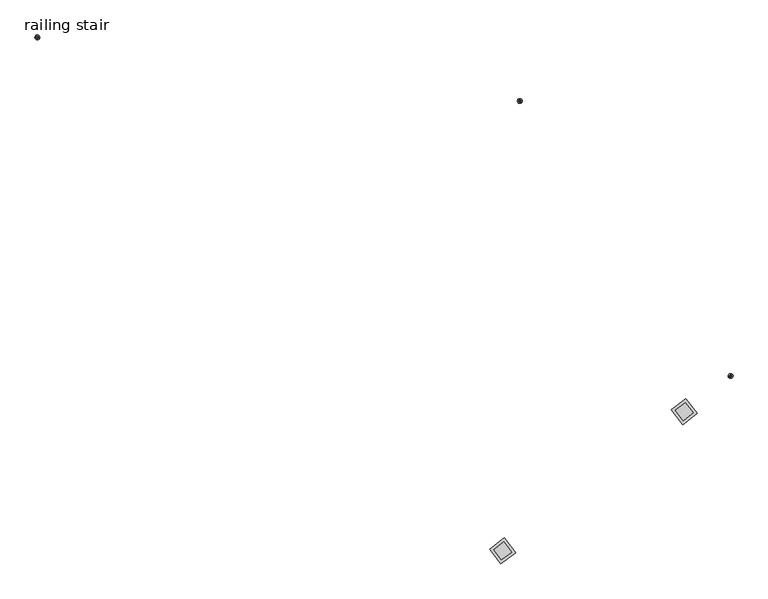
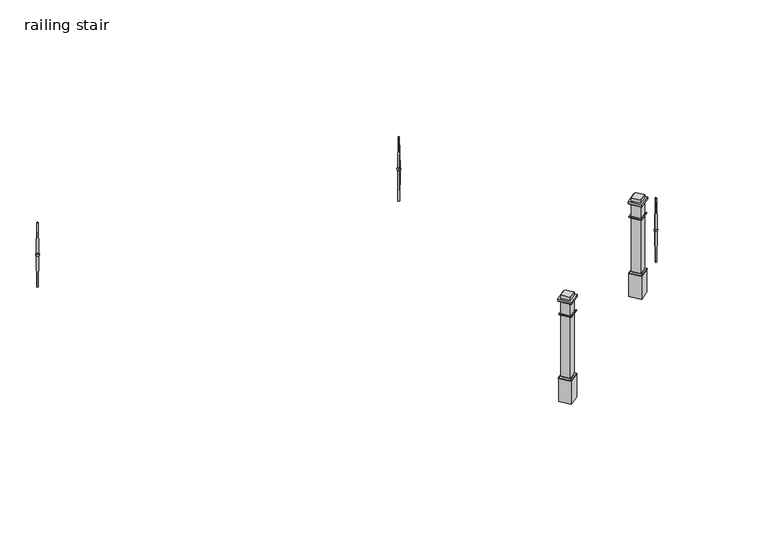
"""IFC4 building model written with IfcOpenShell, lengths in millimetres: railing geometry, railing stair."""

from ifc_helpers import new_model, si_unit, point, frame, origin, place, context, project, spatial, polyline, circle_curve, ellipse_curve, trimmed, outline, extrude, faceted_brep, source, transform, mapped, element, save
from ifc_brep_helpers import plane_surface, revolved_surface, advanced_brep


def railing_stair_6dcc731c(model_context):
    return source(origin(), model_context, "Body", "SolidModel", [
        advanced_brep(
        [(-19107.9102649, 12683.1785948, 412.3989553), (-19082.0426434, 12679.7632043, 412.3989553), (-19085.8073348, 12680.2602694, 0.0), (-19104.1455735, 12682.6815298, 0.0), (-19101.4848418, 12682.3302243, 412.3989553), (-19088.4680665, 12680.6115749, 412.3989553), (-19108.2211787, 12683.2196459, 417.0582924), (-19081.7317296, 12679.7221533, 417.0582924), (-19108.2211787, 12683.2196459, 432.9417076), (-19081.7317296, 12679.7221533, 432.9417076), (-19101.3774529, 12682.3160453, 437.7753248), (-19088.5754554, 12680.6257538, 437.7753248), (-19107.9076271, 12683.1782466, 437.7753248), (-19082.0452811, 12679.7635525, 437.7753248), (-19102.3345592, 12682.4424153, 850.0), (-19087.6183491, 12680.4993838, 850.0)],
        [
            (0, 1, circle_curve(frame((-19094.9764541, 12681.4708996, 412.3989553), z_axis=(0.0, 0.0, -1.0), x_axis=(0.9913959208543641, -0.13089739536494818, 0.0)), 13.0460601)),
            (1, 2),
            (2, 3, circle_curve(frame((-19094.9764541, 12681.4708996, 0.0), z_axis=(0.0, 0.0, 1.0), x_axis=(0.9913959208543641, -0.13089739536494818, 0.0)), 9.2486958)),
            (3, 0),
            (1, 0, circle_curve(frame((-19094.9764541, 12681.4708996, 412.3989553), z_axis=(0.0, 0.0, -1.0), x_axis=(0.9913959208543641, -0.13089739536494818, 0.0)), 13.0460601)),
            (3, 2, circle_curve(frame((-19094.9764541, 12681.4708996, 0.0), z_axis=(0.0, 0.0, 1.0), x_axis=(0.9913959208543641, -0.13089739536494818, 0.0)), 9.2486958)),
            (0, 4),
            (4, 5, circle_curve(frame((-19094.9764541, 12681.4708996, 412.3989553), z_axis=(0.0, 0.0, -1.0), x_axis=(0.9913959208543641, -0.13089739536494818, 0.0)), 6.5648723)),
            (5, 1),
            (5, 4, circle_curve(frame((-19094.9764541, 12681.4708996, 412.3989553), z_axis=(0.0, 0.0, -1.0), x_axis=(0.9913959208543641, -0.13089739536494818, 0.0)), 6.5648723)),
            (4, 6),
            (6, 7, circle_curve(frame((-19094.9764541, 12681.4708996, 417.0582924), z_axis=(0.0, 0.0, -1.0), x_axis=(0.9913959208543641, -0.13089739536494818, 0.0)), 13.3596723)),
            (7, 5),
            (7, 6, circle_curve(frame((-19094.9764541, 12681.4708996, 417.0582924), z_axis=(0.0, 0.0, -1.0), x_axis=(0.9913959208543641, -0.13089739536494818, 0.0)), 13.3596723)),
            (6, 8, circle_curve(frame((-19108.2211787, 12683.2196459, 425.0), z_axis=(0.13089739536495137, 0.9913959208543637, 0.0), x_axis=(-0.9913959208543637, 0.13089739536495137, 0.0)), 7.9417076)),
            (8, 9, circle_curve(frame((-19094.9764541, 12681.4708996, 432.9417076), z_axis=(0.0, 0.0, -1.0), x_axis=(0.9913959208543641, -0.13089739536494818, 0.0)), 13.3596723)),
            (9, 7, circle_curve(frame((-19081.7317296, 12679.7221533, 425.0), z_axis=(0.13089739536494818, 0.9913959208543641, 0.0), x_axis=(0.9913959208543641, -0.13089739536494818, 0.0)), 7.9417076)),
            (9, 8, circle_curve(frame((-19094.9764541, 12681.4708996, 432.9417076), z_axis=(0.0, 0.0, -1.0), x_axis=(0.9913959208543641, -0.13089739536494818, 0.0)), 13.3596723)),
            (8, 10),
            (10, 11, circle_curve(frame((-19094.9764541, 12681.4708996, 437.7753248), z_axis=(0.0, 0.0, -1.0), x_axis=(0.9913959208543641, -0.13089739536494818, 0.0)), 6.4565515)),
            (11, 9),
            (11, 10, circle_curve(frame((-19094.9764541, 12681.4708996, 437.7753248), z_axis=(0.0, 0.0, -1.0), x_axis=(0.9913959208543641, -0.13089739536494818, 0.0)), 6.4565515)),
            (10, 12),
            (12, 13, circle_curve(frame((-19094.9764541, 12681.4708996, 437.7753248), z_axis=(0.0, 0.0, -1.0), x_axis=(0.9913959208543641, -0.13089739536494818, 0.0)), 13.0433994)),
            (13, 11),
            (13, 12, circle_curve(frame((-19094.9764541, 12681.4708996, 437.7753248), z_axis=(0.0, 0.0, -1.0), x_axis=(0.9913959208543641, -0.13089739536494818, 0.0)), 13.0433994)),
            (12, 14),
            (14, 15, circle_curve(frame((-19094.9764541, 12681.4708996, 850.0), z_axis=(0.0, 0.0, -1.0), x_axis=(0.9913959208543641, -0.13089739536494818, 0.0)), 7.4219642)),
            (15, 13),
            (15, 14, circle_curve(frame((-19094.9764541, 12681.4708996, 850.0), z_axis=(0.0, 0.0, -1.0), x_axis=(0.9913959208543641, -0.13089739536494818, 0.0)), 7.4219642)),
        ],
        [
            revolved_surface(polyline([(-19087.8941695, 12680.5358013, -228.6), (-19082.0426434, 12679.7632043, 412.3989553)]), (-19094.9764541, 12681.4708996, 1180.2), (0.0, 0.0, 1.0)),
            plane_surface(frame((-19094.9764541, 12681.4708996, 412.3989553), z_axis=(0.0, 0.0, 1.0), x_axis=(0.9913959208543641, -0.13089739536494818, 0.0))),
            revolved_surface(polyline([(-19088.4688059, 12680.6116725, 412.3), (-19081.7317296, 12679.7221533, 417.0582924)]), (-19094.9764541, 12681.4708996, 1180.2), (0.0, 0.0, 1.0)),
            revolved_surface(trimmed(ellipse_curve(frame((-19081.7317296, 12679.7221533, 425.0), z_axis=(-0.13089739536494818, -0.9913959208543641, 0.0), x_axis=(0.9913959208543641, -0.13089739536494818, 0.0)), 7.9417076, 7.9417076), [point((-19081.7317296, 12679.7221533, 417.0582924))], [point((-19081.7317296, 12679.7221533, 432.9417076))], True, "CARTESIAN"), (-19094.9764541, 12681.4708996, 1180.2), (0.0, 0.0, 1.0)),
            revolved_surface(polyline([(-19081.7317296, 12679.7221533, 432.9417076), (-19088.5754554, 12680.6257538, 437.7753248)]), (-19094.9764541, 12681.4708996, 1180.2), (0.0, 0.0, 1.0)),
            plane_surface(frame((-19094.9764541, 12681.4708996, 437.7753248), z_axis=(0.0, 0.0, -1.0), x_axis=(0.9913959208543641, -0.13089739536494818, 0.0))),
            revolved_surface(polyline([(-19082.0452811, 12679.7635525, 437.7753248), (-19087.6183491, 12680.4993838, 850.0)]), (-19094.9764541, 12681.4708996, 1180.2), (0.0, 0.0, 1.0)),
            plane_surface(frame((-19051.263129, 12624.4583991, 0.0), z_axis=(0.0, 0.0, -1.0), x_axis=(0.13089739536494818, 0.9913959208543641, 0.0))),
            plane_surface(frame((-19151.9889546, 12637.7575745, 850.0), z_axis=(0.0, 0.0, 1.0), x_axis=(0.13089739536494818, 0.9913959208543641, 0.0))),
        ],
        [
            (0, [[1, 2, 3, 4]]),
            (0, [[5, -4, 6, -2]]),
            (1, [[-1, 7, 8, 9]]),
            (1, [[-5, -9, 10, -7]]),
            (2, [[-8, 11, 12, 13]]),
            (2, [[-10, -13, 14, -11]]),
            (3, [[-12, 15, 16, 17]]),
            (3, [[-14, -17, 18, -15]]),
            (4, [[-16, 19, 20, 21]]),
            (4, [[-18, -21, 22, -19]]),
            (5, [[-20, 23, 24, 25]]),
            (5, [[-22, -25, 26, -23]]),
            (6, [[-24, 27, 28, 29]]),
            (6, [[-26, -29, 30, -27]]),
            (7, [[-3, -6]]),
            (8, [[-28, -30]]),
        ],
    ),
        advanced_brep(
        [(-14876.2453639, 12133.7624185, 412.3989553), (-14860.3692391, 12113.0562021, 412.3989553), (-14862.6797999, 12116.0697191, 0.0), (-14873.9348031, 12130.7489016, 0.0), (-14872.3017922, 12128.6190697, 412.3989553), (-14864.3128108, 12118.199551, 412.3989553), (-14876.4361857, 12134.0112953, 417.0582924), (-14860.1784173, 12112.8073254, 417.0582924), (-14876.4361857, 12134.0112953, 432.9417076), (-14860.1784173, 12112.8073254, 432.9417076), (-14872.2358828, 12128.5331083, 437.7753248), (-14864.3787202, 12118.2855124, 437.7753248), (-14876.243745, 12133.7603071, 437.7753248), (-14860.370858, 12113.0583136, 437.7753248), (-14872.8233021, 12129.2992417, 850.0), (-14863.7913009, 12117.519379, 850.0)],
        [
            (0, 1, circle_curve(frame((-14868.3073015, 12123.4093103, 412.3989553), z_axis=(0.0, 0.0, -1.0000000000000002), x_axis=(0.6084643426153793, -0.7935812143477405, 0.0)), 13.0460601)),
            (1, 2),
            (2, 3, circle_curve(frame((-14868.3073015, 12123.4093103, 0.0), z_axis=(0.0, 0.0, 1.0000000000000002), x_axis=(0.6084643426153793, -0.7935812143477405, 0.0)), 9.2486958)),
            (3, 0),
            (1, 0, circle_curve(frame((-14868.3073015, 12123.4093103, 412.3989553), z_axis=(0.0, 0.0, -1.0000000000000002), x_axis=(0.6084643426153793, -0.7935812143477405, 0.0)), 13.0460601)),
            (3, 2, circle_curve(frame((-14868.3073015, 12123.4093103, 0.0), z_axis=(0.0, 0.0, 1.0000000000000002), x_axis=(0.6084643426153793, -0.7935812143477405, 0.0)), 9.2486958)),
            (0, 4),
            (4, 5, circle_curve(frame((-14868.3073015, 12123.4093103, 412.3989553), z_axis=(0.0, 0.0, -1.0000000000000002), x_axis=(0.6084643426153793, -0.7935812143477405, 0.0)), 6.5648723)),
            (5, 1),
            (5, 4, circle_curve(frame((-14868.3073015, 12123.4093103, 412.3989553), z_axis=(0.0, 0.0, -1.0000000000000002), x_axis=(0.6084643426153793, -0.7935812143477405, 0.0)), 6.5648723)),
            (4, 6),
            (6, 7, circle_curve(frame((-14868.3073015, 12123.4093103, 417.0582924), z_axis=(0.0, 0.0, -1.0000000000000002), x_axis=(0.6084643426153793, -0.7935812143477405, 0.0)), 13.3596723)),
            (7, 5),
            (7, 6, circle_curve(frame((-14868.3073015, 12123.4093103, 417.0582924), z_axis=(0.0, 0.0, -1.0000000000000002), x_axis=(0.6084643426153793, -0.7935812143477405, 0.0)), 13.3596723)),
            (6, 8, circle_curve(frame((-14876.4361857, 12134.0112953, 425.0), z_axis=(0.7935812143477425, 0.6084643426153767, 0.0), x_axis=(-0.6084643426153767, 0.7935812143477425, 0.0)), 7.9417076)),
            (8, 9, circle_curve(frame((-14868.3073015, 12123.4093103, 432.9417076), z_axis=(0.0, 0.0, -1.0000000000000002), x_axis=(0.6084643426153793, -0.7935812143477405, 0.0)), 13.3596723)),
            (9, 7, circle_curve(frame((-14860.1784173, 12112.8073254, 425.0), z_axis=(0.7935812143477405, 0.6084643426153793, 0.0), x_axis=(0.6084643426153793, -0.7935812143477405, 0.0)), 7.9417076)),
            (9, 8, circle_curve(frame((-14868.3073015, 12123.4093103, 432.9417076), z_axis=(0.0, 0.0, -1.0000000000000002), x_axis=(0.6084643426153793, -0.7935812143477405, 0.0)), 13.3596723)),
            (8, 10),
            (10, 11, circle_curve(frame((-14868.3073015, 12123.4093103, 437.7753248), z_axis=(0.0, 0.0, -1.0000000000000002), x_axis=(0.6084643426153793, -0.7935812143477405, 0.0)), 6.4565515)),
            (11, 9),
            (11, 10, circle_curve(frame((-14868.3073015, 12123.4093103, 437.7753248), z_axis=(0.0, 0.0, -1.0000000000000002), x_axis=(0.6084643426153793, -0.7935812143477405, 0.0)), 6.4565515)),
            (10, 12),
            (12, 13, circle_curve(frame((-14868.3073015, 12123.4093103, 437.7753248), z_axis=(0.0, 0.0, -1.0000000000000002), x_axis=(0.6084643426153793, -0.7935812143477405, 0.0)), 13.0433994)),
            (13, 11),
            (13, 12, circle_curve(frame((-14868.3073015, 12123.4093103, 437.7753248), z_axis=(0.0, 0.0, -1.0000000000000002), x_axis=(0.6084643426153793, -0.7935812143477405, 0.0)), 13.0433994)),
            (12, 14),
            (14, 15, circle_curve(frame((-14868.3073015, 12123.4093103, 850.0), z_axis=(0.0, 0.0, -1.0000000000000002), x_axis=(0.6084643426153793, -0.7935812143477405, 0.0)), 7.4219642)),
            (15, 13),
            (15, 14, circle_curve(frame((-14868.3073015, 12123.4093103, 850.0), z_axis=(0.0, 0.0, -1.0000000000000002), x_axis=(0.6084643426153793, -0.7935812143477405, 0.0)), 7.4219642)),
        ],
        [
            revolved_surface(polyline([(-14863.9605844, 12117.7401645, -228.6), (-14860.3692391, 12113.0562021, 412.3989553)]), (-14868.3073015, 12123.4093103, 1180.2), (0.0, 0.0, 1.0000000000000002)),
            plane_surface(frame((-14868.3073015, 12123.4093103, 412.3989553), z_axis=(0.0, 0.0, 1.0000000000000002), x_axis=(0.6084643426153793, -0.7935812143477405, 0.0))),
            revolved_surface(polyline([(-14864.3132646, 12118.2001429, 412.3), (-14860.1784173, 12112.8073254, 417.0582924)]), (-14868.3073015, 12123.4093103, 1180.2), (0.0, 0.0, 1.0000000000000002)),
            revolved_surface(trimmed(ellipse_curve(frame((-14860.1784173, 12112.8073254, 425.0), z_axis=(-0.7935812143477405, -0.6084643426153793, 0.0), x_axis=(0.6084643426153793, -0.7935812143477405, 0.0)), 7.9417076, 7.9417076), [point((-14860.1784173, 12112.8073254, 417.0582924))], [point((-14860.1784173, 12112.8073254, 432.9417076))], True, "CARTESIAN"), (-14868.3073015, 12123.4093103, 1180.2), (0.0, 0.0, 1.0000000000000002)),
            revolved_surface(polyline([(-14860.1784173, 12112.8073254, 432.9417076), (-14864.3787202, 12118.2855124, 437.7753248)]), (-14868.3073015, 12123.4093103, 1180.2), (0.0, 0.0, 1.0000000000000002)),
            plane_surface(frame((-14868.3073015, 12123.4093103, 437.7753248), z_axis=(0.0, 0.0, -1.0000000000000002), x_axis=(0.6084643426153793, -0.7935812143477405, 0.0))),
            revolved_surface(polyline([(-14860.370858, 12113.0583136, 437.7753248), (-14863.7913009, 12117.519379, 850.0)]), (-14868.3073015, 12123.4093103, 1180.2), (0.0, 0.0, 1.0000000000000002)),
            plane_surface(frame((-14877.7112386, 12052.185396, 0.0), z_axis=(0.0, 0.0, -1.0000000000000002), x_axis=(0.7935812143477405, 0.6084643426153793, 0.0))),
            plane_surface(frame((-14939.5312158, 12132.8132474, 850.0), z_axis=(0.0, 0.0, 1.0000000000000002), x_axis=(0.7935812143477405, 0.6084643426153793, 0.0))),
        ],
        [
            (0, [[1, 2, 3, 4]]),
            (0, [[5, -4, 6, -2]]),
            (1, [[-1, 7, 8, 9]]),
            (1, [[-5, -9, 10, -7]]),
            (2, [[-8, 11, 12, 13]]),
            (2, [[-10, -13, 14, -11]]),
            (3, [[-12, 15, 16, 17]]),
            (3, [[-14, -17, 18, -15]]),
            (4, [[-16, 19, 20, 21]]),
            (4, [[-18, -21, 22, -19]]),
            (5, [[-20, 23, 24, 25]]),
            (5, [[-22, -25, 26, -23]]),
            (6, [[-24, 27, 28, 29]]),
            (6, [[-26, -29, 30, -27]]),
            (7, [[-3, -6]]),
            (8, [[-28, -30]]),
        ],
    ),
        advanced_brep(
        [(-13011.0487023, 9722.5463967, 412.3989553), (-13031.7549187, 9706.670272, 412.3989553), (-13028.7414017, 9708.9808327, 0.0), (-13014.0622192, 9720.235836, 0.0), (-13016.1920511, 9718.6028251, 412.3989553), (-13026.6115698, 9710.6138436, 412.3989553), (-13010.7998255, 9722.7372185, 417.0582924), (-13032.0037954, 9706.4794501, 417.0582924), (-13010.7998255, 9722.7372185, 432.9417076), (-13032.0037954, 9706.4794501, 432.9417076), (-13016.2780125, 9718.5369157, 437.7753248), (-13026.5256084, 9710.679753, 437.7753248), (-13011.0508137, 9722.5447778, 437.7753248), (-13031.7528072, 9706.6718909, 437.7753248), (-13015.5118791, 9719.1243349, 850.0), (-13027.2917419, 9710.0923338, 850.0)],
        [
            (0, 1, circle_curve(frame((-13021.4018105, 9714.6083343, 412.3989553), z_axis=(0.0, 0.0, -1.0000000000000002), x_axis=(-0.7935812142383477, -0.6084643427580535, 0.0)), 13.0460601)),
            (1, 2),
            (2, 3, circle_curve(frame((-13021.4018105, 9714.6083343, 0.0), z_axis=(0.0, 0.0, 1.0000000000000002), x_axis=(-0.7935812142383477, -0.6084643427580535, 0.0)), 9.2486958)),
            (3, 0),
            (1, 0, circle_curve(frame((-13021.4018105, 9714.6083343, 412.3989553), z_axis=(0.0, 0.0, -1.0000000000000002), x_axis=(-0.7935812142383477, -0.6084643427580535, 0.0)), 13.0460601)),
            (3, 2, circle_curve(frame((-13021.4018105, 9714.6083343, 0.0), z_axis=(0.0, 0.0, 1.0000000000000002), x_axis=(-0.7935812142383477, -0.6084643427580535, 0.0)), 9.2486958)),
            (0, 4),
            (4, 5, circle_curve(frame((-13021.4018105, 9714.6083343, 412.3989553), z_axis=(0.0, 0.0, -1.0000000000000002), x_axis=(-0.7935812142383477, -0.6084643427580535, 0.0)), 6.5648723)),
            (5, 1),
            (5, 4, circle_curve(frame((-13021.4018105, 9714.6083343, 412.3989553), z_axis=(0.0, 0.0, -1.0000000000000002), x_axis=(-0.7935812142383477, -0.6084643427580535, 0.0)), 6.5648723)),
            (4, 6),
            (6, 7, circle_curve(frame((-13021.4018105, 9714.6083343, 417.0582924), z_axis=(0.0, 0.0, -1.0000000000000002), x_axis=(-0.7935812142383477, -0.6084643427580535, 0.0)), 13.3596723)),
            (7, 5),
            (7, 6, circle_curve(frame((-13021.4018105, 9714.6083343, 417.0582924), z_axis=(0.0, 0.0, -1.0000000000000002), x_axis=(-0.7935812142383477, -0.6084643427580535, 0.0)), 13.3596723)),
            (6, 8, circle_curve(frame((-13010.7998255, 9722.7372185, 425.0), z_axis=(0.608464342758051, -0.7935812142383497, 0.0), x_axis=(0.7935812142383497, 0.608464342758051, 0.0)), 7.9417076)),
            (8, 9, circle_curve(frame((-13021.4018105, 9714.6083343, 432.9417076), z_axis=(0.0, 0.0, -1.0000000000000002), x_axis=(-0.7935812142383477, -0.6084643427580535, 0.0)), 13.3596723)),
            (9, 7, circle_curve(frame((-13032.0037954, 9706.4794501, 425.0), z_axis=(0.6084643427580535, -0.7935812142383477, 0.0), x_axis=(-0.7935812142383477, -0.6084643427580535, 0.0)), 7.9417076)),
            (9, 8, circle_curve(frame((-13021.4018105, 9714.6083343, 432.9417076), z_axis=(0.0, 0.0, -1.0000000000000002), x_axis=(-0.7935812142383477, -0.6084643427580535, 0.0)), 13.3596723)),
            (8, 10),
            (10, 11, circle_curve(frame((-13021.4018105, 9714.6083343, 437.7753248), z_axis=(0.0, 0.0, -1.0000000000000002), x_axis=(-0.7935812142383477, -0.6084643427580535, 0.0)), 6.4565515)),
            (11, 9),
            (11, 10, circle_curve(frame((-13021.4018105, 9714.6083343, 437.7753248), z_axis=(0.0, 0.0, -1.0000000000000002), x_axis=(-0.7935812142383477, -0.6084643427580535, 0.0)), 6.4565515)),
            (10, 12),
            (12, 13, circle_curve(frame((-13021.4018105, 9714.6083343, 437.7753248), z_axis=(0.0, 0.0, -1.0000000000000002), x_axis=(-0.7935812142383477, -0.6084643427580535, 0.0)), 13.0433994)),
            (13, 11),
            (13, 12, circle_curve(frame((-13021.4018105, 9714.6083343, 437.7753248), z_axis=(0.0, 0.0, -1.0000000000000002), x_axis=(-0.7935812142383477, -0.6084643427580535, 0.0)), 13.0433994)),
            (12, 14),
            (14, 15, circle_curve(frame((-13021.4018105, 9714.6083343, 850.0), z_axis=(0.0, 0.0, -1.0000000000000002), x_axis=(-0.7935812142383477, -0.6084643427580535, 0.0)), 7.4219642)),
            (15, 13),
            (15, 14, circle_curve(frame((-13021.4018105, 9714.6083343, 850.0), z_axis=(0.0, 0.0, -1.0000000000000002), x_axis=(-0.7935812142383477, -0.6084643427580535, 0.0)), 7.4219642)),
        ],
        [
            revolved_surface(polyline([(-13027.0709563, 9710.2616172, -228.6), (-13031.7549187, 9706.670272, 412.3989553)]), (-13021.4018105, 9714.6083343, 1180.2), (0.0, 0.0, 1.0000000000000002)),
            plane_surface(frame((-13021.4018105, 9714.6083343, 412.3989553), z_axis=(0.0, 0.0, 1.0000000000000002), x_axis=(-0.7935812142383477, -0.6084643427580535, 0.0))),
            revolved_surface(polyline([(-13026.610978, 9710.6142974, 412.3), (-13032.0037954, 9706.4794501, 417.0582924)]), (-13021.4018105, 9714.6083343, 1180.2), (0.0, 0.0, 1.0000000000000002)),
            revolved_surface(trimmed(ellipse_curve(frame((-13032.0037954, 9706.4794501, 425.0), z_axis=(-0.6084643427580535, 0.7935812142383477, 0.0), x_axis=(-0.7935812142383477, -0.6084643427580535, 0.0)), 7.9417076, 7.9417076), [point((-13032.0037954, 9706.4794501, 417.0582924))], [point((-13032.0037954, 9706.4794501, 432.9417076))], True, "CARTESIAN"), (-13021.4018105, 9714.6083343, 1180.2), (0.0, 0.0, 1.0000000000000002)),
            revolved_surface(polyline([(-13032.0037954, 9706.4794501, 432.9417076), (-13026.5256084, 9710.679753, 437.7753248)]), (-13021.4018105, 9714.6083343, 1180.2), (0.0, 0.0, 1.0000000000000002)),
            plane_surface(frame((-13021.4018105, 9714.6083343, 437.7753248), z_axis=(0.0, 0.0, -1.0000000000000002), x_axis=(-0.7935812142383477, -0.6084643427580535, 0.0))),
            revolved_surface(polyline([(-13031.7528072, 9706.6718909, 437.7753248), (-13027.2917419, 9710.0923338, 850.0)]), (-13021.4018105, 9714.6083343, 1180.2), (0.0, 0.0, 1.0000000000000002)),
            plane_surface(frame((-13092.6257248, 9724.0122714, 0.0), z_axis=(0.0, 0.0, -1.0000000000000002), x_axis=(0.6084643427580535, -0.7935812142383477, 0.0))),
            plane_surface(frame((-13011.9978734, 9785.8322486, 850.0), z_axis=(0.0, 0.0, 1.0000000000000002), x_axis=(0.6084643427580535, -0.7935812142383477, 0.0))),
        ],
        [
            (0, [[1, 2, 3, 4]]),
            (0, [[5, -4, 6, -2]]),
            (1, [[-1, 7, 8, 9]]),
            (1, [[-5, -9, 10, -7]]),
            (2, [[-8, 11, 12, 13]]),
            (2, [[-10, -13, 14, -11]]),
            (3, [[-12, 15, 16, 17]]),
            (3, [[-14, -17, 18, -15]]),
            (4, [[-16, 19, 20, 21]]),
            (4, [[-18, -21, 22, -19]]),
            (5, [[-20, 23, 24, 25]]),
            (5, [[-22, -25, 26, -23]]),
            (6, [[-24, 27, 28, 29]]),
            (6, [[-26, -29, 30, -27]]),
            (7, [[-3, -6]]),
            (8, [[-28, -30]]),
        ],
    ),
        extrude(outline(polyline([(-15124.3959342, 8196.6831173), (-15005.358752, 8287.9527687), (-14914.0891006, 8168.9155866), (-15033.1262828, 8077.6459352), (-15124.3959342, 8196.6831173)])), frame((0.0, 0.0, -200.0), z_axis=(0.0, 0.0, 1.0), x_axis=(1.0, 0.0, 0.0)), (0.0, 0.0, 1.0), 304.8),
        extrude(outline(polyline([(-15097.6869663, 8193.1566409), (-15008.8852284, 8261.2438009), (-14940.7980685, 8172.442063), (-15029.5998064, 8104.354903), (-15097.6869663, 8193.1566409)])), frame((0.0, 0.0, 104.8), z_axis=(0.0, 0.0, 1.0), x_axis=(1.0, 0.0, 0.0)), (0.0, 0.0, 1.0), 1100.0),
        extrude(outline(polyline([(-15034.3017749, 8068.7429459), (-15133.2989235, 8197.8586095), (-15004.1832599, 8296.855758), (-14905.1861113, 8167.7400944), (-15034.3017749, 8068.7429459)]), holes=[polyline([(-14940.7980685, 8172.442063), (-15008.8852284, 8261.2438009), (-15097.6869663, 8193.1566409), (-15029.5998064, 8104.354903), (-14940.7980685, 8172.442063)])]), frame((0.0, 0.0, 1138.125), z_axis=(0.0, 0.0, 1.0), x_axis=(1.0, 0.0, 0.0)), (0.0, 0.0, 1.0), 25.4),
        advanced_brep(
        [(-15029.5998064, 8104.354903, 104.8), (-15029.5998064, 8104.354903, 127.025), (-14940.7980685, 8172.442063, 127.025), (-14940.7980685, 8172.442063, 104.8), (-15033.7140288, 8073.1944405, 111.15), (-15033.7140288, 8073.1944405, 104.8), (-14909.637606, 8168.3278405, 104.8), (-14909.637606, 8168.3278405, 111.15), (-15030.7752985, 8095.4519137, 127.025), (-14931.8950792, 8171.2665708, 127.025), (-15008.8852284, 8261.2438009, 127.025), (-15008.8852284, 8261.2438009, 104.8), (-15004.771006, 8292.4042634, 104.8), (-15004.771006, 8292.4042634, 111.15), (-15007.7097363, 8270.1467901, 127.025), (-15097.6869663, 8193.1566409, 127.025), (-15097.6869663, 8193.1566409, 104.8), (-15128.8474288, 8197.2708634, 104.8), (-15128.8474288, 8197.2708634, 111.15), (-15106.5899556, 8194.3321331, 127.025)],
        [
            (0, 1),
            (1, 2),
            (2, 3),
            (3, 0),
            (4, 5),
            (5, 6),
            (6, 7),
            (7, 4),
            (8, 4, ellipse_curve(frame((-15033.7140288, 8073.1944405, 127.025), z_axis=(-0.991395920861093, 0.13089739531398453, 0.0), x_axis=(0.13089739531398475, 0.9913959208610928, 0.0)), 22.4506403, 15.875)),
            (7, 9, ellipse_curve(frame((-14909.637606, 8168.3278405, 127.025), z_axis=(0.13089739531398453, 0.991395920861093, 0.0), x_axis=(0.991395920861093, -0.13089739531398437, 0.0)), 22.4506403, 15.875)),
            (9, 8),
            (2, 10),
            (10, 11),
            (11, 3),
            (6, 12),
            (12, 13),
            (13, 7),
            (13, 14, ellipse_curve(frame((-15004.771006, 8292.4042634, 127.025), z_axis=(-0.991395920861093, 0.13089739531398453, 0.0), x_axis=(0.13089739531398437, 0.991395920861093, 0.0)), 22.4506403, 15.875)),
            (14, 9),
            (10, 15),
            (15, 16),
            (16, 11),
            (12, 17),
            (17, 18),
            (18, 13),
            (18, 19, ellipse_curve(frame((-15128.8474288, 8197.2708634, 127.025), z_axis=(-0.13089739531398453, -0.991395920861093, 0.0), x_axis=(-0.991395920861093, 0.13089739531398437, 0.0)), 22.4506403, 15.875)),
            (19, 14),
            (15, 1),
            (0, 16),
            (5, 17),
            (4, 18),
            (8, 19),
        ],
        [
            plane_surface(frame((-15029.5998064, 8104.354903, 127.025), z_axis=(-0.608464342615386, 0.7935812143477353, 0.0), x_axis=(0.7935812143477353, 0.608464342615386, 0.0))),
            plane_surface(frame((-15033.7140288, 8073.1944405, 104.8), z_axis=(0.608464342615386, -0.7935812143477353, 0.0), x_axis=(0.7935812143477353, 0.608464342615386, 0.0))),
            revolved_surface(polyline([(-14906.698875649676, 8190.585313698588, 127.025), (-15055.971502041133, 8076.133170873606, 127.025)]), (-15016.0766864, 8086.7175605, 127.025), (0.7935812143477353, 0.608464342615386, 0.0)),
            plane_surface(frame((-14940.7980685, 8172.442063, 127.025), z_axis=(-0.7935812143477353, -0.6084643426153858, 0.0), x_axis=(-0.6084643426153858, 0.7935812143477353, 0.0))),
            plane_surface(frame((-14909.637606, 8168.3278405, 104.8), z_axis=(0.7935812143477354, 0.6084643426153858, 0.0), x_axis=(-0.6084643426153858, 0.7935812143477354, 0.0))),
            revolved_surface(polyline([(-15027.028479198589, 8295.342993750326, 127.025), (-14912.576336325319, 8146.070367295891, 127.025)]), (-14923.160726, 8185.965183, 127.025), (-0.608464342615386, 0.7935812143477353, 0.0)),
            plane_surface(frame((-15008.8852284, 8261.2438009, 127.025), z_axis=(0.608464342615386, -0.7935812143477353, 0.0), x_axis=(-0.7935812143477353, -0.608464342615386, 0.0))),
            plane_surface(frame((-15004.771006, 8292.4042634, 104.8), z_axis=(-0.608464342615386, 0.7935812143477353, 0.0), x_axis=(-0.7935812143477353, -0.608464342615386, 0.0))),
            revolved_surface(polyline([(-15131.786159102037, 8175.013390138434, 127.025), (-14982.51353271058, 8289.465532963417, 127.025)]), (-15022.4083484, 8278.8811433, 127.025), (-0.7935812143477353, -0.608464342615386, 0.0)),
            plane_surface(frame((-15097.6869663, 8193.1566409, 127.025), z_axis=(0.7935812143477353, 0.6084643426153858, 0.0), x_axis=(0.6084643426153858, -0.7935812143477353, 0.0))),
            plane_surface(frame((-15097.6869663, 8193.1566409, 104.8), z_axis=(0.0, 0.0, -1.0), x_axis=(0.6084643426153858, -0.7935812143477353, 0.0))),
            plane_surface(frame((-15128.8474288, 8197.2708634, 104.8), z_axis=(-0.7935812143477354, -0.6084643426153858, 0.0), x_axis=(0.6084643426153858, -0.7935812143477354, 0.0))),
            revolved_surface(polyline([(-15011.456555601411, 8070.255710149675, 127.025), (-15125.908698474681, 8219.52833660411, 127.025)]), (-15115.3243088, 8179.6335209, 127.025), (0.608464342615386, -0.7935812143477353, 0.0)),
            plane_surface(frame((-15106.5899556, 8194.3321331, 127.025), z_axis=(0.0, 0.0, 1.0), x_axis=(0.608464342615386, -0.7935812143477353, 0.0))),
        ],
        [
            (0, [[1, 2, 3, 4]]),
            (1, [[5, 6, 7, 8]]),
            (2, [[9, -8, 10, 11]]),
            (3, [[-3, 12, 13, 14]]),
            (4, [[-7, 15, 16, 17]]),
            (5, [[-10, -17, 18, 19]]),
            (6, [[-13, 20, 21, 22]]),
            (7, [[-16, 23, 24, 25]]),
            (8, [[-18, -25, 26, 27]]),
            (9, [[-21, 28, -1, 29]]),
            (10, [[30, -23, -15, -6], [-14, -22, -29, -4]]),
            (11, [[-24, -30, -5, 31]]),
            (12, [[-26, -31, -9, 32]]),
            (13, [[-19, -27, -32, -11], [-28, -20, -12, -2]]),
        ],
    ),
        advanced_brep(
        [(-15029.5998064, 8104.354903, 941.275), (-15029.5998064, 8104.354903, 960.325), (-14940.7980685, 8172.442063, 960.325), (-14940.7980685, 8172.442063, 941.275), (-15033.1262828, 8077.6459352, 953.975), (-15030.7752985, 8095.4519137, 941.275), (-14931.8950792, 8171.2665708, 941.275), (-14914.0891006, 8168.9155866, 953.975), (-15033.1262828, 8077.6459352, 960.325), (-14914.0891006, 8168.9155866, 960.325), (-15008.8852284, 8261.2438009, 960.325), (-15008.8852284, 8261.2438009, 941.275), (-15007.7097363, 8270.1467901, 941.275), (-15005.358752, 8287.9527687, 953.975), (-15005.358752, 8287.9527687, 960.325), (-15097.6869663, 8193.1566409, 960.325), (-15097.6869663, 8193.1566409, 941.275), (-15106.5899556, 8194.3321331, 941.275), (-15124.3959342, 8196.6831173, 953.975), (-15124.3959342, 8196.6831173, 960.325)],
        [
            (0, 1),
            (1, 2),
            (2, 3),
            (3, 0),
            (4, 5, ellipse_curve(frame((-15033.1262828, 8077.6459352, 941.275), z_axis=(-0.991395920861093, 0.13089739531398453, 0.0), x_axis=(0.13089739531398475, 0.9913959208610928, 0.0)), 17.9605122, 12.7)),
            (5, 6),
            (6, 7, ellipse_curve(frame((-14914.0891006, 8168.9155866, 941.275), z_axis=(0.13089739531398453, 0.991395920861093, 0.0), x_axis=(0.991395920861093, -0.13089739531398437, 0.0)), 17.9605122, 12.7)),
            (7, 4),
            (8, 4),
            (7, 9),
            (9, 8),
            (2, 10),
            (10, 11),
            (11, 3),
            (6, 12),
            (12, 13, ellipse_curve(frame((-15005.358752, 8287.9527687, 941.275), z_axis=(-0.991395920861093, 0.13089739531398453, 0.0), x_axis=(0.13089739531398437, 0.991395920861093, 0.0)), 17.9605122, 12.7)),
            (13, 7),
            (13, 14),
            (14, 9),
            (10, 15),
            (15, 16),
            (16, 11),
            (12, 17),
            (17, 18, ellipse_curve(frame((-15124.3959342, 8196.6831173, 941.275), z_axis=(-0.13089739531398453, -0.991395920861093, 0.0), x_axis=(-0.991395920861093, 0.13089739531398437, 0.0)), 17.9605122, 12.7)),
            (18, 13),
            (18, 19),
            (19, 14),
            (19, 8),
            (1, 15),
            (0, 16),
            (5, 17),
            (4, 18),
        ],
        [
            plane_surface(frame((-15029.5998064, 8104.354903, 960.325), z_axis=(-0.608464342615386, 0.7935812143477353, 0.0), x_axis=(0.7935812143477353, 0.608464342615386, 0.0))),
            revolved_surface(polyline([(-14911.738116329005, 8186.721565124469, 941.275), (-15050.93226131215, 8079.996919440043, 941.275)]), (-15018.0085606, 8089.2371809, 941.275), (0.7935812143477353, 0.608464342615386, 0.0)),
            plane_surface(frame((-15033.1262828, 8077.6459352, 953.975), z_axis=(0.608464342615386, -0.7935812143477353, 0.0), x_axis=(0.7935812143477353, 0.608464342615386, 0.0))),
            plane_surface(frame((-14940.7980685, 8172.442063, 960.325), z_axis=(-0.7935812143477353, -0.6084643426153858, 0.0), x_axis=(-0.6084643426153858, 0.7935812143477353, 0.0))),
            revolved_surface(polyline([(-15023.164730587449, 8290.30375292271, 941.275), (-14916.440084951308, 8151.109608002542, 941.275)]), (-14925.6803464, 8184.0333087, 941.275), (-0.608464342615386, 0.7935812143477353, 0.0)),
            plane_surface(frame((-14914.0891006, 8168.9155866, 953.975), z_axis=(0.7935812143477353, 0.608464342615386, 0.0), x_axis=(-0.608464342615386, 0.7935812143477353, 0.0))),
            plane_surface(frame((-15008.8852284, 8261.2438009, 960.325), z_axis=(0.608464342615386, -0.7935812143477353, 0.0), x_axis=(-0.7935812143477353, -0.608464342615386, 0.0))),
            revolved_surface(polyline([(-15126.746918470995, 8178.87713877553, 941.275), (-14987.55277348785, 8285.601784459957, 941.275)]), (-15020.4764742, 8276.361523, 941.275), (-0.7935812143477353, -0.608464342615386, 0.0)),
            plane_surface(frame((-15005.358752, 8287.9527687, 953.975), z_axis=(-0.608464342615386, 0.7935812143477353, 0.0), x_axis=(-0.7935812143477353, -0.608464342615386, 0.0))),
            plane_surface(frame((-15124.3959342, 8196.6831173, 960.325), z_axis=(0.0, 0.0, 1.0), x_axis=(0.608464342615386, -0.7935812143477353, 0.0))),
            plane_surface(frame((-15097.6869663, 8193.1566409, 960.325), z_axis=(0.7935812143477353, 0.6084643426153858, 0.0), x_axis=(0.6084643426153858, -0.7935812143477353, 0.0))),
            plane_surface(frame((-15097.6869663, 8193.1566409, 941.275), z_axis=(0.0, 0.0, -1.0), x_axis=(0.6084643426153858, -0.7935812143477353, 0.0))),
            revolved_surface(polyline([(-15015.320304212551, 8075.294950977292, 941.275), (-15122.044949848692, 8214.489095897457, 941.275)]), (-15112.8046884, 8181.5653952, 941.275), (0.608464342615386, -0.7935812143477353, 0.0)),
            plane_surface(frame((-15124.3959342, 8196.6831173, 953.975), z_axis=(-0.7935812143477353, -0.608464342615386, 0.0), x_axis=(0.608464342615386, -0.7935812143477353, 0.0))),
        ],
        [
            (0, [[1, 2, 3, 4]]),
            (1, [[5, 6, 7, 8]]),
            (2, [[9, -8, 10, 11]]),
            (3, [[-3, 12, 13, 14]]),
            (4, [[-7, 15, 16, 17]]),
            (5, [[-10, -17, 18, 19]]),
            (6, [[-13, 20, 21, 22]]),
            (7, [[-16, 23, 24, 25]]),
            (8, [[-18, -25, 26, 27]]),
            (9, [[-19, -27, 28, -11], [29, -20, -12, -2]]),
            (10, [[-21, -29, -1, 30]]),
            (11, [[31, -23, -15, -6], [-14, -22, -30, -4]]),
            (12, [[-24, -31, -5, 32]]),
            (13, [[-26, -32, -9, -28]]),
        ],
    ),
        faceted_brep([(-15029.5998064, 8104.354903, 1119.075), (-15029.5998064, 8104.354903, 1138.125), (-14940.7980685, 8172.442063, 1138.125), (-14940.7980685, 8172.442063, 1119.075), (-15030.7752985, 8095.4519137, 1131.775), (-15030.7752985, 8095.4519137, 1119.075), (-14931.8950792, 8171.2665708, 1119.075), (-14931.8950792, 8171.2665708, 1131.775), (-15033.1262828, 8077.6459352, 1138.125), (-15033.1262828, 8077.6459352, 1131.775), (-14914.0891006, 8168.9155866, 1131.775), (-14914.0891006, 8168.9155866, 1138.125), (-15008.8852284, 8261.2438009, 1138.125), (-15008.8852284, 8261.2438009, 1119.075), (-15007.7097363, 8270.1467901, 1119.075), (-15007.7097363, 8270.1467901, 1131.775), (-15005.358752, 8287.9527687, 1131.775), (-15005.358752, 8287.9527687, 1138.125), (-15097.6869663, 8193.1566409, 1138.125), (-15097.6869663, 8193.1566409, 1119.075), (-15106.5899556, 8194.3321331, 1119.075), (-15106.5899556, 8194.3321331, 1131.775), (-15124.3959342, 8196.6831173, 1131.775), (-15124.3959342, 8196.6831173, 1138.125)], [[[0, 1, 2, 3]], [[4, 5, 6, 7]], [[8, 9, 10, 11]], [[3, 2, 12, 13]], [[7, 6, 14, 15]], [[11, 10, 16, 17]], [[13, 12, 18, 19]], [[15, 14, 20, 21]], [[17, 16, 22, 23]], [[19, 18, 1, 0]], [[5, 20, 14, 6], [3, 13, 19, 0]], [[21, 20, 5, 4]], [[9, 22, 16, 10], [7, 15, 21, 4]], [[23, 22, 9, 8]], [[11, 17, 23, 8], [1, 18, 12, 2]]]),
        extrude(outline(polyline([(-13533.2655997, 9416.6541239), (-13414.2284175, 9507.9237754), (-13322.9587661, 9388.8865932), (-13441.9959482, 9297.6169418), (-13533.2655997, 9416.6541239)])), frame((0.0, 0.0, -100.0), z_axis=(0.0, 0.0, 1.0), x_axis=(1.0, 0.0, 0.0)), (0.0, 0.0, 1.0), 304.8),
        extrude(outline(polyline([(-13506.5566318, 9413.1276475), (-13417.7548939, 9481.2148075), (-13349.667734, 9392.4130696), (-13438.4694718, 9324.3259097), (-13506.5566318, 9413.1276475)])), frame((0.0, 0.0, 204.8), z_axis=(0.0, 0.0, 1.0), x_axis=(1.0, 0.0, 0.0)), (0.0, 0.0, 1.0), 1000.0),
        extrude(outline(polyline([(-13443.1714404, 9288.7139525), (-13542.1685889, 9417.8296161), (-13413.0529254, 9516.8267647), (-13314.0557768, 9387.7111011), (-13443.1714404, 9288.7139525)]), holes=[polyline([(-13349.667734, 9392.4130696), (-13417.7548939, 9481.2148075), (-13506.5566318, 9413.1276475), (-13438.4694718, 9324.3259097), (-13349.667734, 9392.4130696)])]), frame((0.0, 0.0, 1138.125), z_axis=(0.0, 0.0, 1.0), x_axis=(1.0, 0.0, 0.0)), (0.0, 0.0, 1.0), 25.4),
        advanced_brep(
        [(-13438.4694718, 9324.3259097, 204.8), (-13438.4694718, 9324.3259097, 227.025), (-13349.667734, 9392.4130696, 227.025), (-13349.667734, 9392.4130696, 204.8), (-13442.5836943, 9293.1654472, 211.15), (-13442.5836943, 9293.1654472, 204.8), (-13318.5072715, 9388.2988472, 204.8), (-13318.5072715, 9388.2988472, 211.15), (-13439.644964, 9315.4229204, 227.025), (-13340.7647447, 9391.2375775, 227.025), (-13417.7548939, 9481.2148075, 227.025), (-13417.7548939, 9481.2148075, 204.8), (-13413.6406715, 9512.37527, 204.8), (-13413.6406715, 9512.37527, 211.15), (-13416.5794018, 9490.1177968, 227.025), (-13506.5566318, 9413.1276475, 227.025), (-13506.5566318, 9413.1276475, 204.8), (-13537.7170943, 9417.24187, 204.8), (-13537.7170943, 9417.24187, 211.15), (-13515.4596211, 9414.3031397, 227.025)],
        [
            (0, 1),
            (1, 2),
            (2, 3),
            (3, 0),
            (4, 5),
            (5, 6),
            (6, 7),
            (7, 4),
            (8, 4, ellipse_curve(frame((-13442.5836943, 9293.1654472, 227.025), z_axis=(-0.9913959208846252, 0.13089739513575457, 0.0), x_axis=(0.13089739513575474, 0.9913959208846252, 0.0)), 22.4506403, 15.875)),
            (7, 9, ellipse_curve(frame((-13318.5072715, 9388.2988472, 227.025), z_axis=(0.13089739513575457, 0.9913959208846252, 0.0), x_axis=(0.9913959208846254, -0.1308973951357544, 0.0)), 22.4506403, 15.875)),
            (9, 8),
            (2, 10),
            (10, 11),
            (11, 3),
            (6, 12),
            (12, 13),
            (13, 7),
            (13, 14, ellipse_curve(frame((-13413.6406715, 9512.37527, 227.025), z_axis=(-0.9913959208846252, 0.13089739513575457, 0.0), x_axis=(0.1308973951357544, 0.9913959208846254, 0.0)), 22.4506403, 15.875)),
            (14, 9),
            (10, 15),
            (15, 16),
            (16, 11),
            (12, 17),
            (17, 18),
            (18, 13),
            (18, 19, ellipse_curve(frame((-13537.7170943, 9417.24187, 227.025), z_axis=(-0.13089739513575457, -0.9913959208846252, 0.0), x_axis=(-0.9913959208846254, 0.1308973951357544, 0.0)), 22.4506403, 15.875)),
            (19, 14),
            (15, 1),
            (0, 16),
            (5, 17),
            (4, 18),
            (8, 19),
        ],
        [
            plane_surface(frame((-13438.4694718, 9324.3259097, 227.025), z_axis=(-0.6084643427580535, 0.7935812142383477, 0.0), x_axis=(0.7935812142383477, 0.6084643427580535, 0.0))),
            plane_surface(frame((-13442.5836943, 9293.1654472, 204.8), z_axis=(0.6084643427580535, -0.7935812142383477, 0.0), x_axis=(0.7935812142383477, 0.6084643427580535, 0.0))),
            revolved_surface(polyline([(-13315.568541131326, 9410.556320369964, 227.025), (-13464.841167502207, 9296.104177518146, 227.025)]), (-13424.9463518, 9306.6885672, 227.025), (0.7935812142383477, 0.6084643427580535, 0.0)),
            plane_surface(frame((-13349.667734, 9392.4130696, 227.025), z_axis=(-0.7935812142383477, -0.6084643427580534, 0.0), x_axis=(-0.6084643427580534, 0.7935812142383477, 0.0))),
            plane_surface(frame((-13318.5072715, 9388.2988472, 204.8), z_axis=(0.7935812142383478, 0.6084643427580534, 0.0), x_axis=(-0.6084643427580534, 0.7935812142383478, 0.0))),
            revolved_surface(polyline([(-13435.898144718252, 9515.314000331651, 227.025), (-13321.446001866434, 9366.04137396077, 227.025)]), (-13332.0303915, 9405.9361896, 227.025), (-0.6084643427580535, 0.7935812142383477, 0.0)),
            plane_surface(frame((-13417.7548939, 9481.2148075, 227.025), z_axis=(0.6084643427580535, -0.7935812142383477, 0.0), x_axis=(-0.7935812142383477, -0.6084643427580535, 0.0))),
            plane_surface(frame((-13413.6406715, 9512.37527, 204.8), z_axis=(-0.6084643427580535, 0.7935812142383477, 0.0), x_axis=(-0.7935812142383477, -0.6084643427580535, 0.0))),
            revolved_surface(polyline([(-13540.655824631653, 9394.984396781749, 227.025), (-13391.38319826077, 9509.436539633569, 227.025)]), (-13431.2780139, 9498.85215, 227.025), (-0.7935812142383477, -0.6084643427580535, 0.0)),
            plane_surface(frame((-13506.5566318, 9413.1276475, 227.025), z_axis=(0.7935812142383477, 0.6084643427580534, 0.0), x_axis=(0.6084643427580534, -0.7935812142383477, 0.0))),
            plane_surface(frame((-13506.5566318, 9413.1276475, 204.8), z_axis=(0.0, 0.0, -1.0000000000000002), x_axis=(0.6084643427580534, -0.7935812142383477, 0.0))),
            plane_surface(frame((-13537.7170943, 9417.24187, 204.8), z_axis=(-0.7935812142383478, -0.6084643427580534, 0.0), x_axis=(0.6084643427580534, -0.7935812142383478, 0.0))),
            revolved_surface(polyline([(-13420.326221130035, 9290.226716831325, 227.025), (-13534.778363981854, 9439.499343202207, 227.025)]), (-13524.1939743, 9399.6045275, 227.025), (0.6084643427580535, -0.7935812142383477, 0.0)),
            plane_surface(frame((-13515.4596211, 9414.3031397, 227.025), z_axis=(0.0, 0.0, 1.0000000000000002), x_axis=(0.6084643427580535, -0.7935812142383477, 0.0))),
        ],
        [
            (0, [[1, 2, 3, 4]]),
            (1, [[5, 6, 7, 8]]),
            (2, [[9, -8, 10, 11]]),
            (3, [[-3, 12, 13, 14]]),
            (4, [[-7, 15, 16, 17]]),
            (5, [[-10, -17, 18, 19]]),
            (6, [[-13, 20, 21, 22]]),
            (7, [[-16, 23, 24, 25]]),
            (8, [[-18, -25, 26, 27]]),
            (9, [[-21, 28, -1, 29]]),
            (10, [[30, -23, -15, -6], [-14, -22, -29, -4]]),
            (11, [[-24, -30, -5, 31]]),
            (12, [[-26, -31, -9, 32]]),
            (13, [[-19, -27, -32, -11], [-28, -20, -12, -2]]),
        ],
    ),
        advanced_brep(
        [(-13438.4694718, 9324.3259097, 941.275), (-13438.4694718, 9324.3259097, 960.325), (-13349.667734, 9392.4130696, 960.325), (-13349.667734, 9392.4130696, 941.275), (-13441.9959482, 9297.6169418, 953.975), (-13439.644964, 9315.4229204, 941.275), (-13340.7647447, 9391.2375775, 941.275), (-13322.9587661, 9388.8865932, 953.975), (-13441.9959482, 9297.6169418, 960.325), (-13322.9587661, 9388.8865932, 960.325), (-13417.7548939, 9481.2148075, 960.325), (-13417.7548939, 9481.2148075, 941.275), (-13416.5794018, 9490.1177968, 941.275), (-13414.2284175, 9507.9237754, 953.975), (-13414.2284175, 9507.9237754, 960.325), (-13506.5566318, 9413.1276475, 960.325), (-13506.5566318, 9413.1276475, 941.275), (-13515.4596211, 9414.3031397, 941.275), (-13533.2655997, 9416.6541239, 953.975), (-13533.2655997, 9416.6541239, 960.325)],
        [
            (0, 1),
            (1, 2),
            (2, 3),
            (3, 0),
            (4, 5, ellipse_curve(frame((-13441.9959482, 9297.6169418, 941.275), z_axis=(-0.9913959208846252, 0.13089739513575457, 0.0), x_axis=(0.13089739513575474, 0.9913959208846252, 0.0)), 17.9605122, 12.7)),
            (5, 6),
            (6, 7, ellipse_curve(frame((-13322.9587661, 9388.8865932, 941.275), z_axis=(0.13089739513575457, 0.9913959208846252, 0.0), x_axis=(0.9913959208846254, -0.1308973951357544, 0.0)), 17.9605122, 12.7)),
            (7, 4),
            (8, 4),
            (7, 9),
            (9, 8),
            (2, 10),
            (10, 11),
            (11, 3),
            (6, 12),
            (12, 13, ellipse_curve(frame((-13414.2284175, 9507.9237754, 941.275), z_axis=(-0.9913959208846252, 0.13089739513575457, 0.0), x_axis=(0.1308973951357544, 0.9913959208846254, 0.0)), 17.9605122, 12.7)),
            (13, 7),
            (13, 14),
            (14, 9),
            (10, 15),
            (15, 16),
            (16, 11),
            (12, 17),
            (17, 18, ellipse_curve(frame((-13533.2655997, 9416.6541239, 941.275), z_axis=(-0.13089739513575457, -0.9913959208846252, 0.0), x_axis=(-0.9913959208846254, 0.1308973951357544, 0.0)), 17.9605122, 12.7)),
            (18, 13),
            (18, 19),
            (19, 14),
            (19, 8),
            (1, 15),
            (0, 16),
            (5, 17),
            (4, 18),
        ],
        [
            plane_surface(frame((-13438.4694718, 9324.3259097, 960.325), z_axis=(-0.6084643427580535, 0.7935812142383477, 0.0), x_axis=(0.7935812142383477, 0.6084643427580535, 0.0))),
            revolved_surface(polyline([(-13320.607781846531, 9406.692571743575, 941.275), (-13459.80192674751, 9299.967926082412, 941.275)]), (-13426.8782261, 9309.2081875, 941.275), (0.7935812142383477, 0.6084643427580535, 0.0)),
            plane_surface(frame((-13441.9959482, 9297.6169418, 953.975), z_axis=(0.6084643427580535, -0.7935812142383477, 0.0), x_axis=(0.7935812142383477, 0.6084643427580535, 0.0))),
            plane_surface(frame((-13349.667734, 9392.4130696, 960.325), z_axis=(-0.7935812142383477, -0.6084643427580534, 0.0), x_axis=(-0.6084643427580534, 0.7935812142383477, 0.0))),
            revolved_surface(polyline([(-13432.034396043575, 9510.27475965347, 941.275), (-13325.309750334125, 9371.080614689512, 941.275)]), (-13334.5500118, 9404.0043154, 941.275), (-0.6084643427580535, 0.7935812142383477, 0.0)),
            plane_surface(frame((-13322.9587661, 9388.8865932, 953.975), z_axis=(0.7935812142383477, 0.6084643427580535, 0.0), x_axis=(-0.6084643427580535, 0.7935812142383477, 0.0))),
            plane_surface(frame((-13417.7548939, 9481.2148075, 960.325), z_axis=(0.6084643427580535, -0.7935812142383477, 0.0), x_axis=(-0.7935812142383477, -0.6084643427580535, 0.0))),
            revolved_surface(polyline([(-13535.61658395347, 9398.848145356425, 941.275), (-13396.422438941225, 9505.572791102899, 941.275)]), (-13429.3461397, 9496.3325296, 941.275), (-0.7935812142383477, -0.6084643427580535, 0.0)),
            plane_surface(frame((-13414.2284175, 9507.9237754, 953.975), z_axis=(-0.6084643427580535, 0.7935812142383477, 0.0), x_axis=(-0.7935812142383477, -0.6084643427580535, 0.0))),
            plane_surface(frame((-13533.2655997, 9416.6541239, 960.325), z_axis=(0.0, 0.0, 1.0000000000000002), x_axis=(0.6084643427580535, -0.7935812142383477, 0.0))),
            plane_surface(frame((-13506.5566318, 9413.1276475, 960.325), z_axis=(0.7935812142383477, 0.6084643427580534, 0.0), x_axis=(0.6084643427580534, -0.7935812142383477, 0.0))),
            plane_surface(frame((-13506.5566318, 9413.1276475, 941.275), z_axis=(0.0, 0.0, -1.0000000000000002), x_axis=(0.6084643427580534, -0.7935812142383477, 0.0))),
            revolved_surface(polyline([(-13424.189969656425, 9295.265957546531, 941.275), (-13530.914615354612, 9434.460102495797, 941.275)]), (-13521.6743539, 9401.5364018, 941.275), (0.6084643427580535, -0.7935812142383477, 0.0)),
            plane_surface(frame((-13533.2655997, 9416.6541239, 953.975), z_axis=(-0.7935812142383477, -0.6084643427580535, 0.0), x_axis=(0.6084643427580535, -0.7935812142383477, 0.0))),
        ],
        [
            (0, [[1, 2, 3, 4]]),
            (1, [[5, 6, 7, 8]]),
            (2, [[9, -8, 10, 11]]),
            (3, [[-3, 12, 13, 14]]),
            (4, [[-7, 15, 16, 17]]),
            (5, [[-10, -17, 18, 19]]),
            (6, [[-13, 20, 21, 22]]),
            (7, [[-16, 23, 24, 25]]),
            (8, [[-18, -25, 26, 27]]),
            (9, [[-19, -27, 28, -11], [29, -20, -12, -2]]),
            (10, [[-21, -29, -1, 30]]),
            (11, [[31, -23, -15, -6], [-14, -22, -30, -4]]),
            (12, [[-24, -31, -5, 32]]),
            (13, [[-26, -32, -9, -28]]),
        ],
    ),
        faceted_brep([(-13438.4694718, 9324.3259097, 1119.075), (-13438.4694718, 9324.3259097, 1138.125), (-13349.667734, 9392.4130696, 1138.125), (-13349.667734, 9392.4130696, 1119.075), (-13439.644964, 9315.4229204, 1131.775), (-13439.644964, 9315.4229204, 1119.075), (-13340.7647447, 9391.2375775, 1119.075), (-13340.7647447, 9391.2375775, 1131.775), (-13441.9959482, 9297.6169418, 1138.125), (-13441.9959482, 9297.6169418, 1131.775), (-13322.9587661, 9388.8865932, 1131.775), (-13322.9587661, 9388.8865932, 1138.125), (-13417.7548939, 9481.2148075, 1138.125), (-13417.7548939, 9481.2148075, 1119.075), (-13416.5794018, 9490.1177968, 1119.075), (-13416.5794018, 9490.1177968, 1131.775), (-13414.2284175, 9507.9237754, 1131.775), (-13414.2284175, 9507.9237754, 1138.125), (-13506.5566318, 9413.1276475, 1138.125), (-13506.5566318, 9413.1276475, 1119.075), (-13515.4596211, 9414.3031397, 1119.075), (-13515.4596211, 9414.3031397, 1131.775), (-13533.2655997, 9416.6541239, 1131.775), (-13533.2655997, 9416.6541239, 1138.125)], [[[0, 1, 2, 3]], [[4, 5, 6, 7]], [[8, 9, 10, 11]], [[3, 2, 12, 13]], [[7, 6, 14, 15]], [[11, 10, 16, 17]], [[13, 12, 18, 19]], [[15, 14, 20, 21]], [[17, 16, 22, 23]], [[19, 18, 1, 0]], [[5, 20, 14, 6], [3, 13, 19, 0]], [[21, 20, 5, 4]], [[9, 22, 16, 10], [7, 15, 21, 4]], [[23, 22, 9, 8]], [[11, 17, 23, 8], [1, 18, 12, 2]]]),
    ])


if __name__ == "__main__":
    model = new_model("IFC4")
    model_context = context("Model", 3, world=origin())
    ifc_project = project(units=[si_unit("LENGTHUNIT", "METRE", prefix="MILLI")], contexts=[model_context])
    site = spatial("IfcSite", under=ifc_project)
    building = spatial("IfcBuilding", under=site)
    placement = place(None, origin())
    railing_stair_shape = railing_stair_6dcc731c(model_context)
    element("IfcRailing", 1, ObjectType="railing stair", at=placement, inside=building, context=model_context, shape_type="MappedRepresentation", body=[
        mapped(railing_stair_shape, transform((0.0, 0.0, 0.0), x_axis=(1.0, 0.0, 0.0), y_axis=(0.0, 1.0, 0.0), z_axis=(0.0, 0.0, 1.0))),
    ])
    save(model, "model.ifc")
